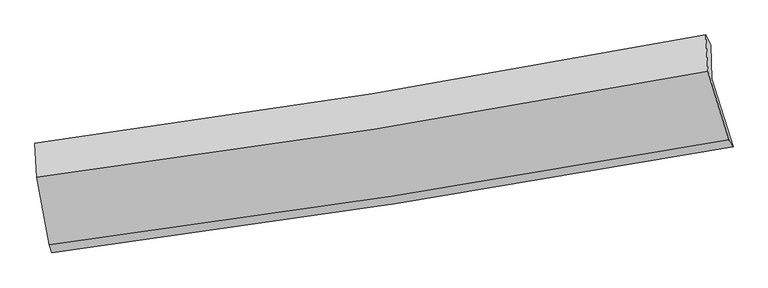
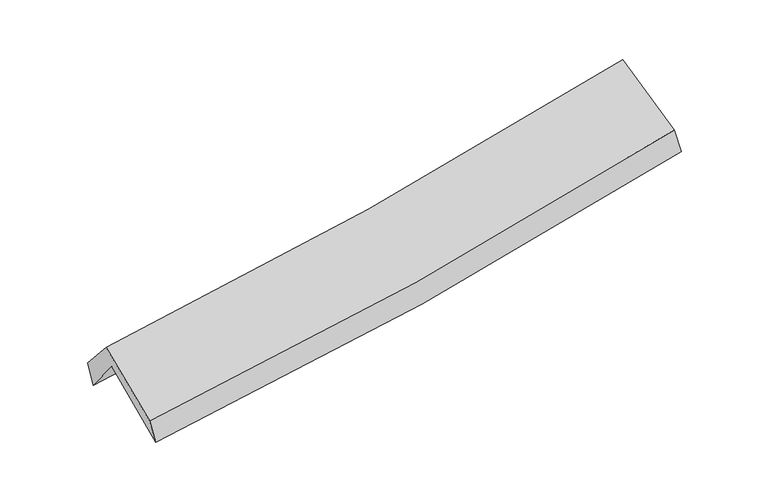
"""IFC4 building model written with IfcOpenShell, lengths in millimetres: proxy geometry."""

from ifc_helpers import new_model, si_unit, frame, origin, place, context, project, spatial, source, transform, mapped, element, save
from ifc_brep_helpers import plane_surface, spline_curve, spline_surface, advanced_brep


def generic_models_c92c0af4(model_context):
    return source(origin(), model_context, "Body", "AdvancedBrep", [
        advanced_brep(
        [(-2406.6277068, -2472.4816422, 1501.8261046), (-2499.5128996, -1973.4465468, 1924.0527248), (2424.4553191, -1200.7260843, 2367.8841214), (2578.9613132, -1696.7887017, 1940.782483), (-2511.5342819, -1719.2342452, 1602.9693339), (2414.0108111, -949.4265494, 2047.4847185), (-2529.8787833, -1671.2646726, 1786.5938232), (2378.9263819, -878.9305164, 2212.0681447), (-2516.0322117, -1920.9499608, 2070.9807645), (2394.3684115, -1143.0515593, 2513.4824076), (-2425.3904018, -2412.6472779, 1668.2942828), (2546.2615056, -1645.9770151, 2118.0659023)],
        [
            (0, 1),
            (1, 2, spline_curve(3, [(-2499.5128996, -1973.4465468, 1924.0527248), (-1669.815313387, -1867.892158563, 1963.013539342), (-843.533103059, -1750.515139971, 2019.6278356), (797.752814873, -1492.814190984, 2167.761959605), (1612.793344107, -1352.617721996, 2259.091462265), (2424.4553191, -1200.7260843, 2367.8841214)], [4, 2, 4], [0.0, 8.283774378146813, 16.52277338789809])),
            (2, 3),
            (3, 0, spline_curve(3, [(2578.9613132, -1696.7887017, 1940.782483), (1756.951415254, -1846.652528947, 1833.411790507), (931.615630222, -1986.078710934, 1743.19925036), (-730.211128612, -2244.75678094, 1596.693456687), (-1566.738350255, -2363.894912357, 1540.587203968), (-2406.6277068, -2472.4816422, 1501.8261046)], [4, 2, 4], [0.0, 8.238999009751279, 16.52277338789809])),
            (1, 4),
            (4, 5, spline_curve(3, [(-2511.5342819, -1719.2342452, 1602.9693339), (-1683.07599244, -1609.44435945, 1649.193927698), (-857.279631846, -1490.199379143, 1709.487579777), (784.540033648, -1233.494876724, 1857.811055301), (1600.592037478, -1096.137292096, 1945.689198192), (2414.0108111, -949.4265494, 2047.4847185)], [4, 2, 4], [0.0, 8.234375404512221, 16.424242451431216])),
            (5, 2),
            (4, 6),
            (6, 7, spline_curve(3, [(-2529.8787833, -1671.2646726, 1786.5938232), (-1703.608098462, -1562.854996211, 1832.078432768), (-880.30514123, -1442.410857239, 1890.40772834), (755.931251646, -1178.169726276, 2032.370983018), (1568.896682765, -1034.5024799, 2115.866461044), (2378.9263819, -878.9305164, 2212.0681447)], [4, 2, 4], [0.0, 8.222774738173495, 16.401103822551])),
            (7, 5),
            (6, 8),
            (8, 9, spline_curve(3, [(-2516.0322117, -1920.9499608, 2070.9807645), (-1689.348066751, -1817.647271371, 2122.487003923), (-865.705263315, -1700.959214487, 2185.24559985), (771.062155295, -1441.51543739, 2332.867460946), (1584.219559473, -1298.904027068, 2417.60941282), (2394.3684115, -1143.0515593, 2513.4824076)], [4, 2, 4], [0.0, 8.21150067027055, 16.378616625215983])),
            (9, 7),
            (8, 10),
            (10, 11, spline_curve(3, [(-2425.3904018, -2412.6472779, 1668.2942828), (-1588.171931344, -2305.145680734, 1710.724776683), (-754.144262815, -2187.304615867, 1769.566916482), (903.0386391, -1931.636390174, 1919.667726365), (1726.228273172, -1793.920700903, 2010.749459683), (2546.2615056, -1645.9770151, 2118.0659023)], [4, 2, 4], [0.0, 8.26102484168794, 16.47739728053074])),
            (11, 9),
            (10, 0),
            (3, 11),
        ],
        [
            spline_surface(3, 3, [[(-2406.6277068, -2472.4816422, 1501.8261046), (-1566.738350332, -2363.894912374, 1540.587203905), (-730.211128676, -2244.756780875, 1596.693456661), (931.615630287, -1986.078710998, 1743.199250386), (1756.951415264, -1846.652529, 1833.411790415), (2578.9613132, -1696.7887017, 1940.782483)], [(-2437.589437706, -2306.136610396, 1642.568311345), (-1601.097337982, -2198.560661124, 1681.39598244), (-767.985120128, -2080.009567285, 1737.671582992), (886.994691787, -1821.657204297, 1884.720153439), (1708.898724851, -1681.974259971, 1975.305014348), (2527.459315152, -1531.43449589, 2083.149695775)], [(-2468.551168694, -2139.791578604, 1783.310518055), (-1635.456325715, -2033.226409885, 1822.204760942), (-805.75911155, -1915.262353672, 1878.649709326), (842.373753317, -1657.235697575, 2026.241056495), (1660.846034483, -1517.295990973, 2117.198238357), (2475.957317148, -1366.08029011, 2225.516908625)], [(-2499.5128996, -1973.4465468, 1924.0527248), (-1669.815313366, -1867.892158635, 1963.013539477), (-843.533103002, -1750.515140081, 2019.627835657), (797.752814817, -1492.814190875, 2167.761959548), (1612.79334407, -1352.617721945, 2259.091462291), (2424.4553191, -1200.7260843, 2367.8841214)]], [4, 4], [4, 2, 4], [0.0, 2.172835555238689], [0.0, 8.283774378146813, 16.52277338789809]),
            spline_surface(3, 3, [[(-2499.5128996, -1973.4465468, 1924.0527248), (-1669.815313366, -1867.892158635, 1963.013539477), (-843.533103002, -1750.515140081, 2019.627835657), (797.752814817, -1492.814190875, 2167.761959548), (1612.79334407, -1352.617721945, 2259.091462291), (2424.4553191, -1200.7260843, 2367.8841214)], [(-2503.520027059, -1888.709112937, 1817.02492783), (-1674.23553973, -1781.742892255, 1858.407002224), (-848.115279298, -1663.743219717, 1916.247750338), (793.348554466, -1406.374419516, 2064.444991489), (1608.726241918, -1267.124245314, 2154.624040976), (2420.973816442, -1116.959572669, 2261.084320463)], [(-2507.527154441, -1803.971679063, 1709.99713087), (-1678.655766016, -1695.593625862, 1753.800464979), (-852.69745563, -1576.971299392, 1812.867665022), (788.944294079, -1319.934648196, 1961.128023434), (1604.659139739, -1181.630768676, 2050.156619572), (2417.492313758, -1033.193061031, 2154.284519437)], [(-2511.5342819, -1719.2342452, 1602.9693339), (-1683.075992381, -1609.444359482, 1649.193927726), (-857.279631926, -1490.199379028, 1709.487579702), (784.540033728, -1233.494876838, 1857.811055375), (1600.592037587, -1096.137292045, 1945.689198256), (2414.0108111, -949.4265494, 2047.4847185)]], [4, 4], [4, 2, 4], [0.0, 1.327896986735145], [0.0, 8.234375404512221, 16.424242451431216]),
            spline_surface(3, 3, [[(-2511.5342819, -1719.2342452, 1602.9693339), (-1683.075992381, -1609.444359482, 1649.193927726), (-857.279631926, -1490.199379028, 1709.487579702), (784.540033728, -1233.494876838, 1857.811055375), (1600.592037587, -1096.137292045, 1945.689198256), (2414.0108111, -949.4265494, 2047.4847185)], [(-2517.649115697, -1703.244387645, 1664.177496996), (-1689.920027774, -1593.914571693, 1710.155429419), (-864.954801704, -1474.269871759, 1769.794295955), (775.003773013, -1215.053160002, 1915.997697897), (1590.026919272, -1075.592354648, 2002.41495254), (2402.316001352, -925.927871723, 2102.345860559)], [(-2523.763949503, -1687.254530155, 1725.385660104), (-1696.764063177, -1578.384783969, 1771.116931125), (-872.629971435, -1458.340364473, 1830.101012186), (765.467512343, -1196.611443147, 1974.184340397), (1579.461801002, -1055.047417281, 2059.140706848), (2390.621191648, -902.429194077, 2157.207002641)], [(-2529.8787833, -1671.2646726, 1786.5938232), (-1703.608098571, -1562.85499618, 1832.078432818), (-880.305141212, -1442.410857205, 1890.407728439), (755.931251628, -1178.16972631, 2032.370982919), (1568.896682687, -1034.502479884, 2115.866461131), (2378.9263819, -878.9305164, 2212.0681447)]], [4, 4], [4, 2, 4], [0.0, 0.6130817196655508], [0.0, 8.222774738173495, 16.401103822551]),
            spline_surface(3, 3, [[(-2529.8787833, -1671.2646726, 1786.5938232), (-1703.608098571, -1562.85499618, 1832.078432818), (-880.305141212, -1442.410857205, 1890.407728439), (755.931251628, -1178.16972631, 2032.370982919), (1568.896682687, -1034.502479884, 2115.866461131), (2378.9263819, -878.9305164, 2212.0681447)], [(-2525.263259421, -1754.493102001, 1881.389470283), (-1698.854754657, -1647.785754562, 1928.881289849), (-875.43851522, -1528.593642939, 1988.687018867), (760.974886187, -1265.951630013, 2132.536475589), (1574.004308281, -1122.636328977, 2216.447445032), (2384.073725121, -966.970864031, 2312.539565671)], [(-2520.647735579, -1837.721531399, 1976.185117417), (-1694.101410781, -1732.716512941, 2025.684146931), (-870.571889273, -1614.776428699, 2086.966309367), (766.018520701, -1353.733533741, 2232.70196833), (1579.111933812, -1210.770178077, 2317.028428921), (2389.221068279, -1055.011211669, 2413.010986629)], [(-2516.0322117, -1920.9499608, 2070.9807645), (-1689.348066867, -1817.647271323, 2122.487003962), (-865.70526328, -1700.959214433, 2185.245599796), (771.06215526, -1441.515437444, 2332.867461), (1584.219559406, -1298.904027171, 2417.609412822), (2394.3684115, -1143.0515593, 2513.4824076)]], [4, 4], [4, 2, 4], [0.0, 1.2995774527001596], [0.0, 8.21150067027055, 16.378616625215983]),
            spline_surface(3, 3, [[(-2516.0322117, -1920.9499608, 2070.9807645), (-1689.348066867, -1817.647271323, 2122.487003962), (-865.70526328, -1700.959214433, 2185.245599796), (771.06215526, -1441.515437444, 2332.867461), (1584.219559406, -1298.904027171, 2417.609412822), (2394.3684115, -1143.0515593, 2513.4824076)], [(-2485.818275084, -2084.849066509, 1936.751937284), (-1655.622688336, -1980.146741172, 1985.232928263), (-828.518263153, -1863.074348242, 2046.686038716), (815.05431651, -1604.889088331, 2195.134216112), (1631.555797305, -1463.909585063, 2281.989428462), (2444.99944285, -1310.693377905, 2381.676905823)], [(-2455.604338416, -2248.748172191, 1802.523110016), (-1621.897309754, -2142.646210995, 1847.978852514), (-791.33126294, -2025.18948209, 1908.126477613), (859.046477847, -1768.262739256, 2057.4009712), (1678.892035254, -1628.915142942, 2146.369444133), (2495.63047425, -1478.335196495, 2249.871404077)], [(-2425.3904018, -2412.6472779, 1668.2942828), (-1588.171931223, -2305.145680845, 1710.724776815), (-754.144262813, -2187.304615899, 1769.566916534), (903.038639098, -1931.636390142, 1919.667726313), (1726.228273153, -1793.920700834, 2010.749459773), (2546.2615056, -1645.9770151, 2118.0659023)]], [4, 4], [4, 2, 4], [0.0, 2.138697964258787], [0.0, 8.26102484168794, 16.47739728053074]),
            spline_surface(3, 3, [[(-2425.3904018, -2412.6472779, 1668.2942828), (-1588.171931223, -2305.145680845, 1710.724776815), (-754.144262813, -2187.304615899, 1769.566916534), (903.038639098, -1931.636390142, 1919.667726313), (1726.228273153, -1793.920700834, 2010.749459773), (2546.2615056, -1645.9770151, 2118.0659023)], [(-2419.136170133, -2432.592066011, 1612.804890063), (-1581.027404259, -2324.728758032, 1654.012252508), (-746.166551407, -2206.455337579, 1711.94242992), (912.564302854, -1949.783830449, 1860.844901015), (1736.469320539, -1811.497976905, 1951.63690333), (2557.161441483, -1662.914243982, 2058.97142921)], [(-2412.881938467, -2452.536854089, 1557.315497337), (-1573.882877295, -2344.311835186, 1597.299728212), (-738.188840082, -2225.606059196, 1654.317943275), (922.08996653, -1967.931270692, 1802.022075685), (1746.710367877, -1829.075252929, 1892.524346858), (2568.061377317, -1679.851472818, 1999.87695609)], [(-2406.6277068, -2472.4816422, 1501.8261046), (-1566.738350332, -2363.894912374, 1540.587203905), (-730.211128676, -2244.756780875, 1596.693456661), (931.615630287, -1986.078710998, 1743.199250386), (1756.951415264, -1846.652529, 1833.411790415), (2578.9613132, -1696.7887017, 1940.782483)]], [4, 4], [4, 2, 4], [0.0, 0.6078521632640765], [0.0, 8.321766764425881, 16.598552804417515]),
            plane_surface(frame((2456.1639571, -1252.4834043, 2199.9612963), z_axis=(0.9726438511936122, 0.19712512895197407, 0.12290493184134715), x_axis=(0.23100182225600677, -0.7648583201097987, -0.6013567229799807))),
            plane_surface(frame((-2481.4960475, -2028.3373909, 1759.1195056), z_axis=(-0.9894947961452436, -0.12906300828163694, -0.06513668931391296), x_axis=(-0.10547525884554211, 0.33636133113756894, 0.9358076857382764))),
        ],
        [
            (0, [[1, 2, 3, 4]]),
            (1, [[5, 6, 7, -2]]),
            (2, [[8, 9, 10, -6]]),
            (3, [[11, 12, 13, -9]]),
            (4, [[14, 15, 16, -12]]),
            (5, [[17, -4, 18, -15]]),
            (6, [[-16, -18, -3, -7, -10, -13]]),
            (7, [[-17, -14, -11, -8, -5, -1]]),
        ],
    ),
    ])


if __name__ == "__main__":
    model = new_model("IFC4")
    model_context = context("Model", 3, world=origin())
    ifc_project = project(units=[si_unit("LENGTHUNIT", "METRE", prefix="MILLI")], contexts=[model_context])
    site = spatial("IfcSite", under=ifc_project)
    building = spatial("IfcBuilding", under=site)
    placement = place(None, origin())
    generic_models_shape = generic_models_c92c0af4(model_context)
    element("IfcBuildingElementProxy", 1, Name="Generic Models", at=placement, inside=building, context=model_context, shape_type="MappedRepresentation", body=[
        mapped(generic_models_shape, transform((0.0, 0.0, 0.0), x_axis=(1.0, 0.0, 0.0), y_axis=(0.0, 1.0, 0.0), z_axis=(0.0, 0.0, 1.0))),
    ])
    save(model, "model.ifc")
